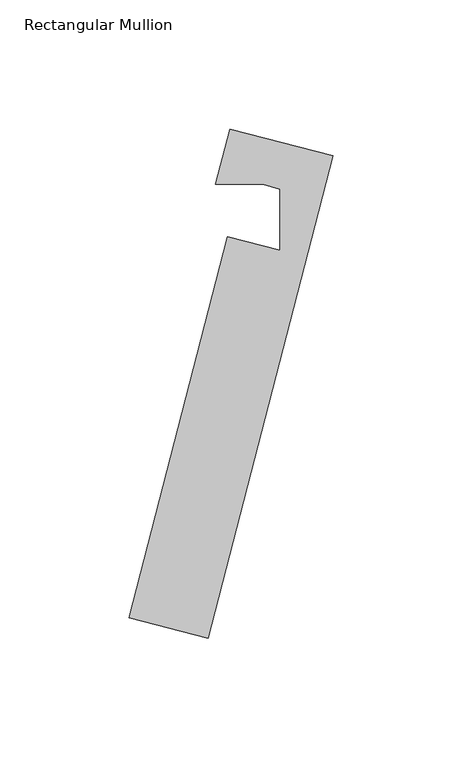
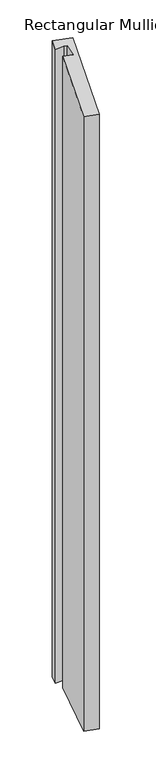
"""IFC4 building model written with IfcOpenShell, lengths in millimetres: member geometry, Rectangular Mullion."""

from ifc_helpers import new_model, si_unit, origin, place, context, project, spatial, faceted_brep, source, transform, mapped, element, save


def rectangular_mullion_3a9873d9(model_context):
    return source(origin(), model_context, "Body", "Brep", [
        faceted_brep([(-32.2785854, 1.9002894, -1498.3858989), (-11.89512, -3.3750289, -1498.3858989), (-11.8817409, 20.2116128, -1498.3858989), (-18.4507926, 22.2764544, -1498.3858989), (-36.8407243, 22.2868858, -1498.3858989), (-31.339798, 43.5420849, -1498.3858989), (8.6181739, 33.20081, -1498.3858989), (-39.7249494, -153.5936789, -1498.3858989), (-70.4622491, -145.6387489, -1498.3858989), (-70.4622491, -145.6387489, -42.5096416), (-32.2785854, 1.9002894, -1.6741846), (-39.7249494, -153.5936789, -42.50952), (8.6181739, 33.20081, 9.1909546), (-31.339798, 43.5420849, 9.1907966), (-36.8407243, 22.2868858, 3.3078399), (-18.4507926, 22.2764544, 4.5397991), (-11.8817409, 20.2116128, 4.4452093), (-11.89512, -3.3750289, -1.674104)], [[[0, 1, 2, 3, 4, 5, 6, 7, 8]], [[9, 10, 0, 8]], [[11, 9, 8, 7]], [[12, 11, 7, 6]], [[13, 12, 6, 5]], [[14, 13, 5, 4]], [[15, 14, 4, 3]], [[16, 15, 3, 2]], [[17, 16, 2, 1]], [[10, 17, 1, 0]], [[10, 9, 11, 12, 13, 14, 15, 16, 17]]]),
    ])


if __name__ == "__main__":
    model = new_model("IFC4")
    model_context = context("Model", 3, world=origin())
    ifc_project = project(units=[si_unit("LENGTHUNIT", "METRE", prefix="MILLI")], contexts=[model_context])
    site = spatial("IfcSite", under=ifc_project)
    building = spatial("IfcBuilding", under=site)
    placement = place(None, origin())
    rectangular_mullion_shape = rectangular_mullion_3a9873d9(model_context)
    element("IfcMember", 1, ObjectType="Rectangular Mullion", at=placement, inside=building, context=model_context, shape_type="MappedRepresentation", body=[
        mapped(rectangular_mullion_shape, transform((0.0, 0.0, 0.0), x_axis=(1.0, 0.0, 0.0), y_axis=(0.0, 1.0, 0.0), z_axis=(0.0, 0.0, 1.0))),
    ])
    save(model, "model.ifc")
